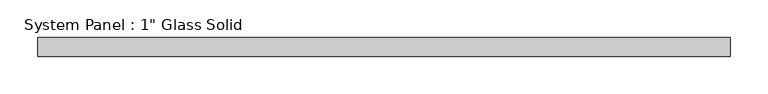
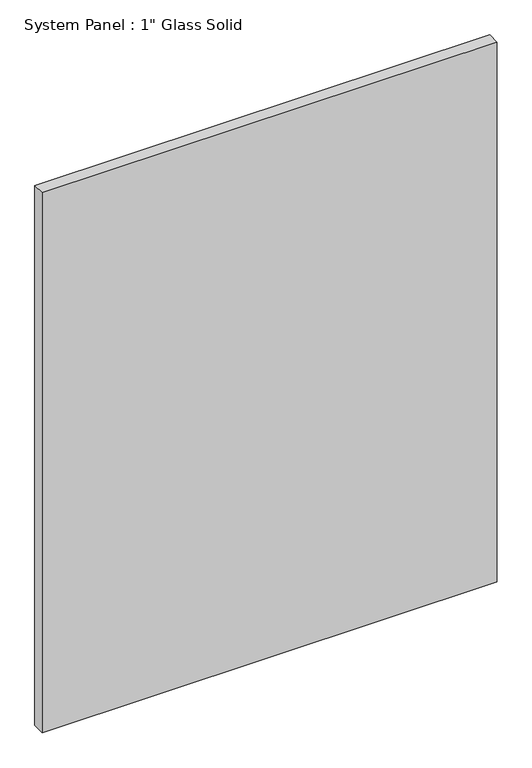
"""IFC4 building model written with IfcOpenShell, lengths in millimetres: plate geometry."""

from ifc_helpers import new_model, si_unit, origin, origin_with_axes, place, context, project, spatial, polyline, outline, extrude, source, transform, mapped, element, save


def plate_2e1deeb0(model_context):
    return source(origin(), model_context, "Body", "SweptSolid", [
        extrude(outline(polyline([(461.9633852, -12.7), (-461.9633852, -12.7), (-461.9633852, 12.7), (461.9633852, 12.7), (461.9633852, -12.7)])), origin_with_axes(), (0.0, 0.0, 1.0), 1158.8767704),
    ])


if __name__ == "__main__":
    model = new_model("IFC4")
    model_context = context("Model", 3, world=origin())
    ifc_project = project(units=[si_unit("LENGTHUNIT", "METRE", prefix="MILLI")], contexts=[model_context])
    site = spatial("IfcSite", under=ifc_project)
    building = spatial("IfcBuilding", under=site)
    placement = place(None, origin())
    plate_shape = plate_2e1deeb0(model_context)
    element("IfcPlate", 1, ObjectType="System Panel : 1\" Glass Solid", at=placement, inside=building, context=model_context, shape_type="MappedRepresentation", body=[
        mapped(plate_shape, transform((0.0, 0.0, 0.0), x_axis=(1.0, 0.0, 0.0), y_axis=(0.0, 1.0, 0.0), z_axis=(0.0, 0.0, 1.0))),
    ])
    save(model, "model.ifc")
